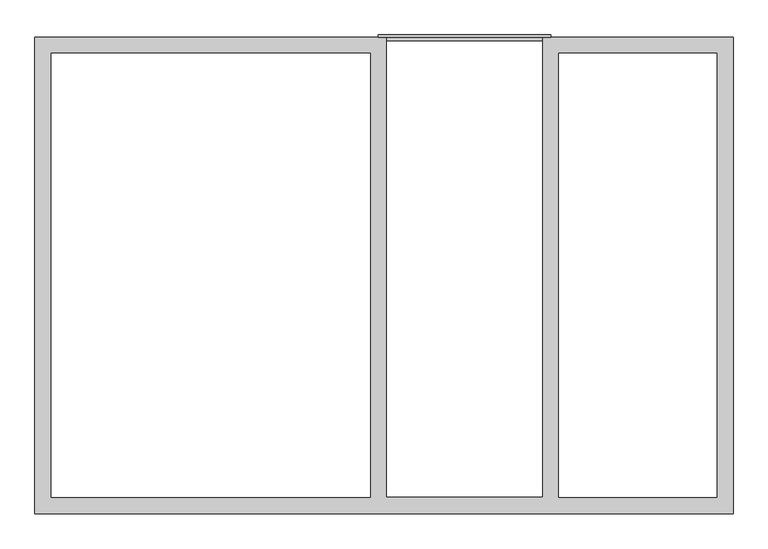
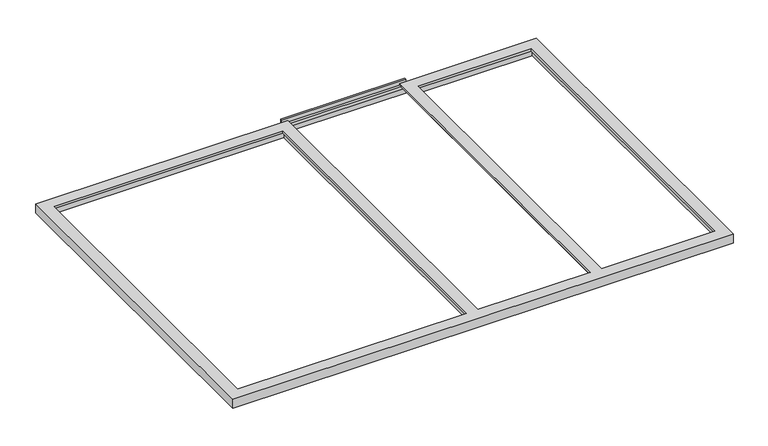
"""IFC4 building model written with IfcOpenShell, lengths in millimetres: proxy geometry."""

from ifc_helpers import new_model, si_unit, frame, origin, place, context, project, spatial, polyline, outline, extrude, faceted_brep, source, transform, mapped, element, save


def generic_models_4ef0787a(model_context):
    return source(origin(), model_context, "Body", "SolidModel", [
        extrude(outline(polyline([(12.0, -86.0), (0.0, -86.0), (0.0, -37.0), (-18.0, -37.0), (-18.0, -12.0), (0.0, -12.0), (0.0, 19.0), (12.0, 19.0), (12.0, -86.0)])), frame((1756.0, 0.0, 0.0), z_axis=(1.0, 0.0, 0.0), x_axis=(0.0, 1.0, 0.0)), (0.0, 0.0, 1.0), 883.0),
        faceted_brep([(0.0, 0.0, 0.0), (1797.5, 0.0, 0.0), (1797.5, 0.0, -16.0), (1782.5, 0.0, -16.0), (1782.5, 0.0, -37.0), (1762.5, 0.0, -37.0), (1762.5, 0.0, -68.0), (0.0, 0.0, -68.0), (0.0, -2436.4, -68.0), (3571.0, -2436.4, -68.0), (3571.0, -2436.4, 0.0), (0.0, -2436.4, 0.0), (1762.5, -2388.4, -68.0), (2632.5, -2388.4, -68.0), (2632.5, 0.0, -68.0), (3571.0, 0.0, -68.0), (65.0, -65.0, -68.0), (65.0, -2371.4, -68.0), (1732.5, -2371.4, -68.0), (1732.5, -65.0, -68.0), (2662.5, -2371.4, -68.0), (3506.0, -2371.4, -68.0), (3506.0, -65.0, -68.0), (2662.5, -65.0, -68.0), (65.0, -65.0, -16.0), (65.0, -2371.4, -16.0), (1732.5, -65.0, -16.0), (1732.5, -2371.4, -16.0), (83.0, -83.0, -16.0), (83.0, -2353.4, -16.0), (1714.5, -2353.4, -16.0), (1714.5, -83.0, -16.0), (83.0, -83.0, 0.0), (83.0, -2353.4, 0.0), (3571.0, 0.0, 0.0), (2597.5, 0.0, 0.0), (2597.5, -2353.4, 0.0), (1797.5, -2353.4, 0.0), (1714.5, -83.0, 0.0), (1714.5, -2353.4, 0.0), (3488.0, -2353.4, 0.0), (2680.5, -2353.4, 0.0), (2680.5, -83.0, 0.0), (3488.0, -83.0, 0.0), (1762.5, -2388.4, -37.0), (1782.5, -2368.4, -16.0), (1782.5, -2368.4, -37.0), (2612.5, -2368.4, -37.0), (2612.5, 0.0, -37.0), (2632.5, 0.0, -37.0), (2632.5, -2388.4, -37.0), (1797.5, -2353.4, -16.0), (2597.5, -2353.4, -16.0), (2597.5, 0.0, -16.0), (2612.5, 0.0, -16.0), (2612.5, -2368.4, -16.0), (2662.5, -65.0, -16.0), (2662.5, -2371.4, -16.0), (3506.0, -65.0, -16.0), (3506.0, -2371.4, -16.0), (3488.0, -2353.4, -16.0), (3488.0, -83.0, -16.0), (2680.5, -83.0, -16.0), (2680.5, -2353.4, -16.0)], [[[0, 1, 2, 3, 4, 5, 6, 7]], [[8, 9, 10, 11]], [[6, 12, 13, 14, 15, 9, 8, 7], [16, 17, 18, 19], [20, 21, 22, 23]], [[24, 25, 17, 16]], [[26, 27, 25, 24], [28, 29, 30, 31]], [[32, 33, 29, 28]], [[0, 11, 10, 34, 35, 36, 37, 1], [38, 39, 33, 32], [40, 41, 42, 43]], [[7, 8, 11, 0]], [[19, 18, 27, 26]], [[31, 30, 39, 38]], [[5, 44, 12, 6]], [[19, 26, 24, 16]], [[31, 38, 32, 28]], [[3, 45, 46, 4]], [[4, 46, 47, 48, 49, 50, 44, 5]], [[39, 30, 29, 33]], [[17, 25, 27, 18]], [[1, 37, 51, 2]], [[2, 51, 52, 53, 54, 55, 45, 3]], [[37, 36, 52, 51]], [[45, 55, 47, 46]], [[34, 15, 14, 49, 48, 54, 53, 35]], [[20, 23, 56, 57]], [[57, 56, 58, 59], [60, 61, 62, 63]], [[63, 62, 42, 41]], [[14, 13, 50, 49]], [[53, 52, 36, 35]], [[15, 34, 10, 9]], [[41, 40, 60, 63]], [[57, 59, 21, 20]], [[58, 22, 21, 59]], [[40, 43, 61, 60]], [[22, 58, 56, 23]], [[42, 62, 61, 43]], [[48, 47, 55, 54]], [[44, 50, 13, 12]]]),
    ])


if __name__ == "__main__":
    model = new_model("IFC4")
    model_context = context("Model", 3, world=origin())
    ifc_project = project(units=[si_unit("LENGTHUNIT", "METRE", prefix="MILLI")], contexts=[model_context])
    site = spatial("IfcSite", under=ifc_project)
    building = spatial("IfcBuilding", under=site)
    placement = place(None, origin())
    generic_models_shape = generic_models_4ef0787a(model_context)
    element("IfcBuildingElementProxy", 1, Name="Generic Models", at=placement, inside=building, context=model_context, shape_type="MappedRepresentation", body=[
        mapped(generic_models_shape, transform((0.0, 0.0, 0.0), x_axis=(1.0, 0.0, 0.0), y_axis=(0.0, 1.0, 0.0), z_axis=(0.0, 0.0, 1.0))),
    ])
    save(model, "model.ifc")
